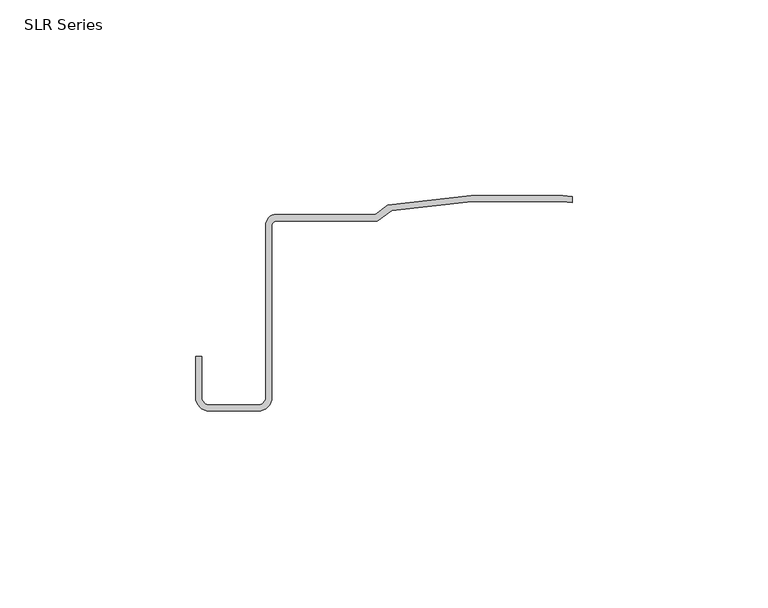
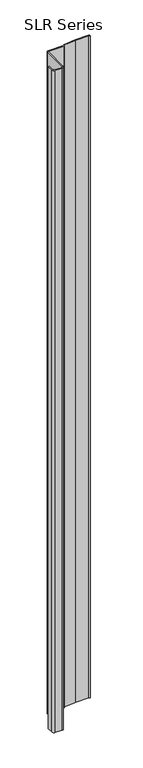
"""IFC4 building model written with IfcOpenShell, lengths in millimetres: plate geometry, SLR Series."""

from ifc_helpers import new_model, si_unit, point, frame_2d, origin, origin_with_axes, place, context, project, spatial, polyline, circle_curve, trimmed, segment, composite_curve, outline, extrude, source, transform, mapped, element, save


def slr_series_a6e4ac16(model_context):
    return source(origin(), model_context, "Body", "SweptSolid", [
        extrude(outline(composite_curve([segment(polyline([(38.1264307, -1.5435186), (14.9066178, -1.5435186), (-5.5248771, -3.8587965), (-9.1148274, -6.5512592), (-34.9996177, -6.5512592)]), True, "CONTINUOUS"), segment(trimmed(circle_curve(frame_2d((-34.9996177, -7.6635924)), 1.1123332), [point((-34.9996177, -6.5512592))], [point((-36.111951, -7.6635924))], True, "CARTESIAN"), True, "CONTINUOUS"), segment(polyline([(-36.111951, -7.6635924), (-36.111951, -51.601347)]), True, "CONTINUOUS"), segment(trimmed(circle_curve(frame_2d((-39.6443114, -51.601347)), 3.5323605), [point((-36.111951, -51.601347))], [point((-39.6443114, -55.1337075))], False, "CARTESIAN"), True, "CONTINUOUS"), segment(polyline([(-39.6443114, -55.1337075), (-52.0301614, -55.1337075)]), True, "CONTINUOUS"), segment(trimmed(circle_curve(frame_2d((-52.0301614, -51.601347)), 3.5323605), [point((-52.0301614, -55.1337075))], [point((-55.5625218, -51.601347))], False, "CARTESIAN"), True, "CONTINUOUS"), segment(polyline([(-55.5625218, -51.601347), (-55.5625218, -41.1948398), (-54.0095041, -41.1948398), (-54.0095041, -51.601347)]), True, "CONTINUOUS"), segment(trimmed(circle_curve(frame_2d((-52.0301614, -51.601347)), 1.9793427), [point((-54.0095041, -51.601347))], [point((-52.0301614, -53.5806897))], True, "CARTESIAN"), True, "CONTINUOUS"), segment(polyline([(-52.0301614, -53.5806897), (-39.6443114, -53.5806897)]), True, "CONTINUOUS"), segment(trimmed(circle_curve(frame_2d((-39.6443114, -51.601347)), 1.9793427), [point((-39.6443114, -53.5806897))], [point((-37.6649687, -51.601347))], True, "CARTESIAN"), True, "CONTINUOUS"), segment(polyline([(-37.6649687, -51.601347), (-37.6649687, -7.5287119)]), True, "CONTINUOUS"), segment(trimmed(circle_curve(frame_2d((-34.9397125, -7.5287119)), 2.7252562), [point((-37.6649687, -7.5287119))], [point((-34.9996177, -4.8041142))], False, "CARTESIAN"), True, "CONTINUOUS"), segment(polyline([(-34.9996177, -4.8041142), (-9.6972091, -4.8041142), (-6.4774708, -2.3893105), (14.8424158, 0.0), (38.2223359, -0.0030647), (40.6542607, -0.3067848), (40.6542607, -1.8594973), (38.1264307, -1.5435186)]), True, "CONTINUOUS")], self_intersect=False)), origin_with_axes(), (0.0, 0.0, 1.0), 1228.3559792),
    ])


if __name__ == "__main__":
    model = new_model("IFC4")
    model_context = context("Model", 3, world=origin())
    ifc_project = project(units=[si_unit("LENGTHUNIT", "METRE", prefix="MILLI")], contexts=[model_context])
    site = spatial("IfcSite", under=ifc_project)
    building = spatial("IfcBuilding", under=site)
    placement = place(None, origin())
    slr_series_shape = slr_series_a6e4ac16(model_context)
    element("IfcPlate", 1, ObjectType="SLR Series", at=placement, inside=building, context=model_context, shape_type="MappedRepresentation", body=[
        mapped(slr_series_shape, transform((0.0, 0.0, 0.0), x_axis=(1.0, 0.0, 0.0), y_axis=(0.0, 1.0, 0.0), z_axis=(0.0, 0.0, 1.0))),
    ])
    save(model, "model.ifc")
